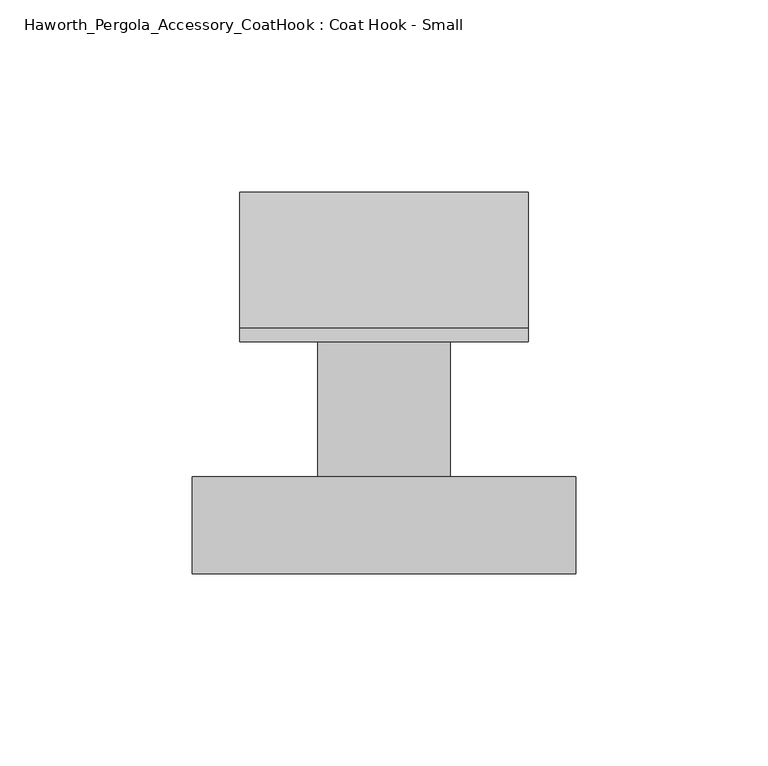
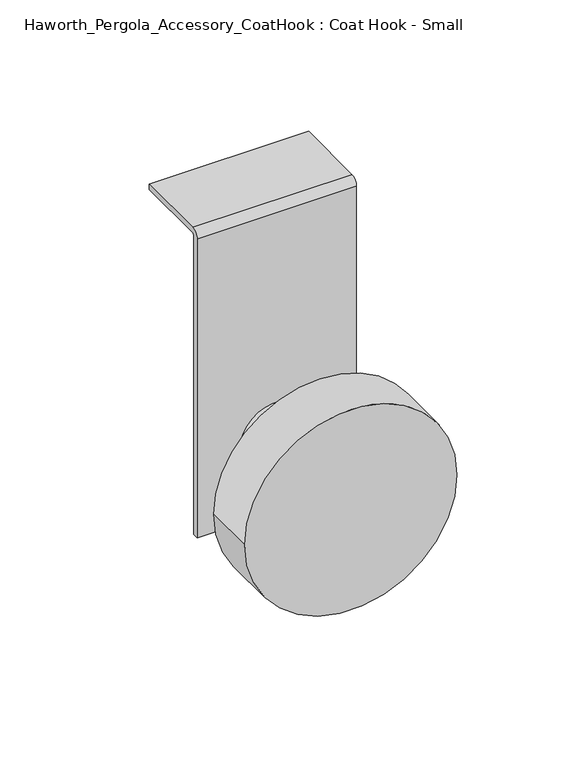
"""IFC4 building model written with IfcOpenShell, lengths in millimetres: furniture geometry, Haworth_Pergola_Accessory_CoatHook : Coat Hook - Small."""

from ifc_helpers import new_model, si_unit, point, frame, frame_2d, origin, place, context, project, spatial, polyline, circle_curve, trimmed, segment, composite_curve, outline, extrude, source, transform, mapped, element, save


def haworth_pergola_accessory_coathook_coat_hook_small_8eadb74f(model_context):
    return source(origin(), model_context, "Body", "SweptSolid", [
        extrude(outline(composite_curve([segment(trimmed(circle_curve(frame_2d((1818.9196979, 0.0)), 49.999855), [point((1818.9196979, -49.999855))], [point((1818.9196979, 49.999855))], False, "CARTESIAN"), True, "CONTINUOUS"), segment(trimmed(circle_curve(frame_2d((1818.9196979, 0.0)), 49.999855), [point((1818.9196979, 49.999855))], [point((1818.9196979, -49.999855))], False, "CARTESIAN"), True, "CONTINUOUS")], self_intersect=False)), frame((0.0, -71.5864649, 0.0), z_axis=(0.0, 1.0, 0.0), x_axis=(0.0, 0.0, 1.0)), (0.0, 0.0, 1.0), 25.1955557),
        extrude(outline(composite_curve([segment(trimmed(circle_curve(frame_2d((1818.9196979, 0.0)), 17.2501099), [point((1818.9196979, -17.2501099))], [point((1818.9196979, 17.2501099))], False, "CARTESIAN"), True, "CONTINUOUS"), segment(trimmed(circle_curve(frame_2d((1818.9196979, 0.0)), 17.2501099), [point((1818.9196979, 17.2501099))], [point((1818.9196979, -17.2501099))], False, "CARTESIAN"), True, "CONTINUOUS")], self_intersect=False)), frame((0.0, -46.3909092, 0.0), z_axis=(0.0, 1.0, 0.0), x_axis=(0.0, 0.0, 1.0)), (0.0, 0.0, 1.0), 35.1022214),
        extrude(outline(composite_curve([segment(trimmed(circle_curve(frame_2d((-7.6286878, 1930.3999999)), 3.66), [point((-11.2886878, 1930.3999999))], [point((-7.6286878, 1934.0599999))], False, "CARTESIAN"), True, "CONTINUOUS"), segment(polyline([(-7.6286878, 1934.0599999), (27.7713118, 1934.0599999), (27.7713118, 1931.3999999), (-7.6286878, 1931.3999999)]), True, "CONTINUOUS"), segment(trimmed(circle_curve(frame_2d((-7.6286878, 1930.3999999)), 1.0), [point((-7.6286878, 1931.3999999))], [point((-8.6286879, 1930.3999999))], True, "CARTESIAN"), True, "CONTINUOUS"), segment(polyline([(-8.6286879, 1930.3999999), (-8.6286879, 1781.6600002), (-11.2886878, 1781.6600002), (-11.2886878, 1930.3999999)]), True, "CONTINUOUS")], self_intersect=False)), frame((-37.5000366, 0.0, 0.0), z_axis=(1.0, 0.0, 0.0), x_axis=(0.0, 1.0, 0.0)), (0.0, 0.0, 1.0), 75.0000732),
    ])


if __name__ == "__main__":
    model = new_model("IFC4")
    model_context = context("Model", 3, world=origin())
    ifc_project = project(units=[si_unit("LENGTHUNIT", "METRE", prefix="MILLI")], contexts=[model_context])
    site = spatial("IfcSite", under=ifc_project)
    building = spatial("IfcBuilding", under=site)
    placement = place(None, origin())
    haworth_pergola_accessory_coathook_coat_hook_small_shape = haworth_pergola_accessory_coathook_coat_hook_small_8eadb74f(model_context)
    element("IfcFurniture", 1, ObjectType="Haworth_Pergola_Accessory_CoatHook : Coat Hook - Small", at=placement, inside=building, context=model_context, shape_type="MappedRepresentation", body=[
        mapped(haworth_pergola_accessory_coathook_coat_hook_small_shape, transform((0.0, 0.0, 0.0), x_axis=(1.0, 0.0, 0.0), y_axis=(0.0, 1.0, 0.0), z_axis=(0.0, 0.0, 1.0))),
    ])
    save(model, "model.ifc")
